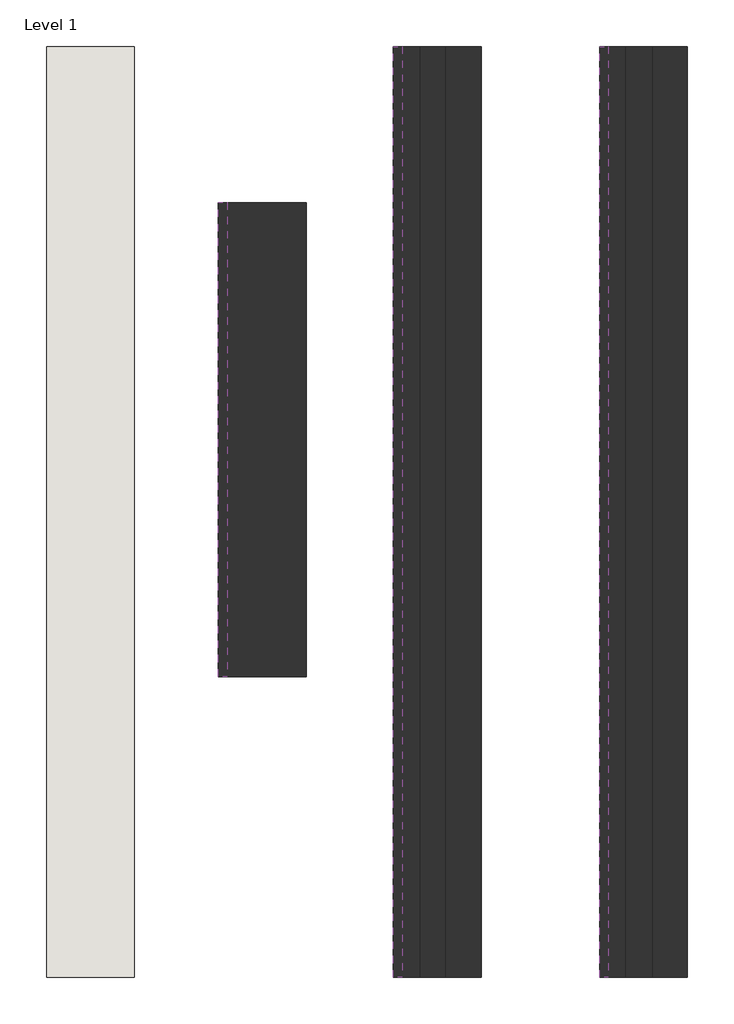
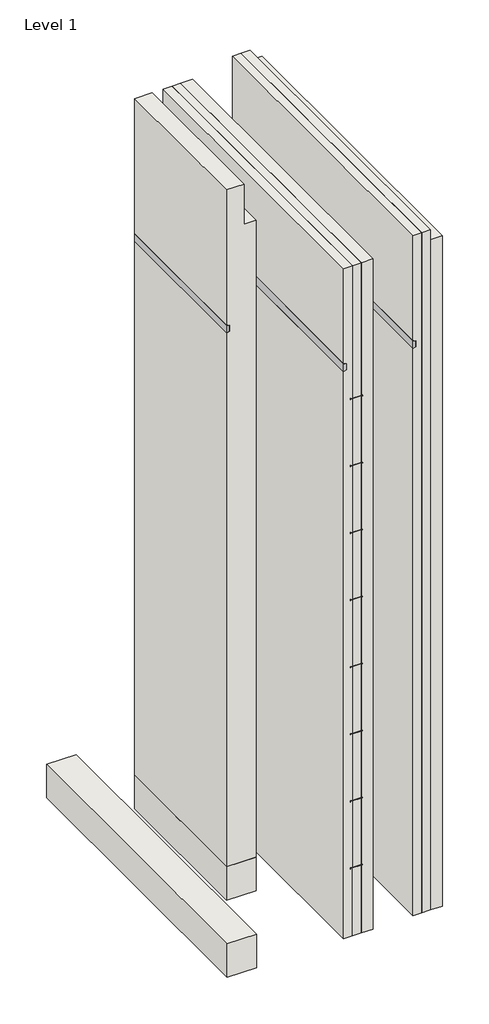
# One storey: 5 walls, 4 proxies.
"""IFC4 building model written with IfcOpenShell, lengths in millimetres."""

from ifc_helpers import new_model, si_unit, frame, origin, origin_with_axes, place, context, project, spatial, polyline, outline, extrude, faceted_brep, element, save

model = new_model("IFC4")

# Units and contexts
model_context = context("Model", 3, world=origin())
ifc_project = project(units=[si_unit("LENGTHUNIT", "METRE", prefix="MILLI")], contexts=[model_context])

# Site, building, storey
site = spatial("IfcSite", under=ifc_project)
building = spatial("IfcBuilding", under=site)
storey = spatial("IfcBuildingStorey", under=building, Name="Level 1", Elevation=0.0)

# Proxies
placement = place(None, origin())
element("IfcBuildingElementProxy", 1, Name="Conc Reinforcing 24in OC", ObjectType="Conc Reinforcing 24in OC", at=placement, inside=storey, context=model_context, shape_type="SweptSolid", body=[
    extrude(outline(polyline([(614.0976764, 5948.5050692), (617.5375, 5954.4630184), (617.5375, 6050.4971199), (614.0976764, 6056.4550692), (627.3273236, 6056.4550692), (623.8875, 6050.4971199), (623.8875, 5954.4630184), (627.3273236, 5948.5050692), (614.0976764, 5948.5050692)])), frame((0.0, 397.8957014, 0.0), z_axis=(0.0, 1.0, 0.0), x_axis=(0.0, 0.0, 1.0)), (0.0, 0.0, 1.0), 2692.4),
    extrude(outline(polyline([(1223.6976764, 5948.5050692), (1227.1375, 5954.4630184), (1227.1375, 6050.4971199), (1223.6976764, 6056.4550692), (1236.9273236, 6056.4550692), (1233.4875, 6050.4971199), (1233.4875, 5954.4630184), (1236.9273236, 5948.5050692), (1223.6976764, 5948.5050692)])), frame((0.0, 397.8957014, 0.0), z_axis=(0.0, 1.0, 0.0), x_axis=(0.0, 0.0, 1.0)), (0.0, 0.0, 1.0), 2692.4),
    extrude(outline(polyline([(1833.2976764, 5948.5050692), (1836.7375, 5954.4630184), (1836.7375, 6050.4971199), (1833.2976764, 6056.4550692), (1846.5273236, 6056.4550692), (1843.0875, 6050.4971199), (1843.0875, 5954.4630184), (1846.5273236, 5948.5050692), (1833.2976764, 5948.5050692)])), frame((0.0, 397.8957014, 0.0), z_axis=(0.0, 1.0, 0.0), x_axis=(0.0, 0.0, 1.0)), (0.0, 0.0, 1.0), 2692.4),
    extrude(outline(polyline([(2442.8976764, 5948.5050692), (2446.3375, 5954.4630184), (2446.3375, 6050.4971199), (2442.8976764, 6056.4550692), (2456.1273236, 6056.4550692), (2452.6875, 6050.4971199), (2452.6875, 5954.4630184), (2456.1273236, 5948.5050692), (2442.8976764, 5948.5050692)])), frame((0.0, 397.8957014, 0.0), z_axis=(0.0, 1.0, 0.0), x_axis=(0.0, 0.0, 1.0)), (0.0, 0.0, 1.0), 2692.4),
    extrude(outline(polyline([(3052.4976764, 5948.5050692), (3055.9375, 5954.4630184), (3055.9375, 6050.4971199), (3052.4976764, 6056.4550692), (3065.7273236, 6056.4550692), (3062.2875, 6050.4971199), (3062.2875, 5954.4630184), (3065.7273236, 5948.5050692), (3052.4976764, 5948.5050692)])), frame((0.0, 397.8957014, 0.0), z_axis=(0.0, 1.0, 0.0), x_axis=(0.0, 0.0, 1.0)), (0.0, 0.0, 1.0), 2692.4),
    extrude(outline(polyline([(3662.0976764, 5948.5050692), (3665.5375, 5954.4630184), (3665.5375, 6050.4971199), (3662.0976764, 6056.4550692), (3675.3273236, 6056.4550692), (3671.8875, 6050.4971199), (3671.8875, 5954.4630184), (3675.3273236, 5948.5050692), (3662.0976764, 5948.5050692)])), frame((0.0, 397.8957014, 0.0), z_axis=(0.0, 1.0, 0.0), x_axis=(0.0, 0.0, 1.0)), (0.0, 0.0, 1.0), 2692.4),
    extrude(outline(polyline([(4271.6976764, 5948.5050692), (4275.1375, 5954.4630184), (4275.1375, 6050.4971199), (4271.6976764, 6056.4550692), (4284.9273236, 6056.4550692), (4281.4875, 6050.4971199), (4281.4875, 5954.4630184), (4284.9273236, 5948.5050692), (4271.6976764, 5948.5050692)])), frame((0.0, 397.8957014, 0.0), z_axis=(0.0, 1.0, 0.0), x_axis=(0.0, 0.0, 1.0)), (0.0, 0.0, 1.0), 2692.4),
    extrude(outline(polyline([(4881.2976764, 5948.5050692), (4884.7375, 5954.4630184), (4884.7375, 6050.4971199), (4881.2976764, 6056.4550692), (4894.5273236, 6056.4550692), (4891.0875, 6050.4971199), (4891.0875, 5954.4630184), (4894.5273236, 5948.5050692), (4881.2976764, 5948.5050692)])), frame((0.0, 397.8957014, 0.0), z_axis=(0.0, 1.0, 0.0), x_axis=(0.0, 0.0, 1.0)), (0.0, 0.0, 1.0), 2692.4),
])
element("IfcBuildingElementProxy", 2, Name="Conc Reveal 3\"", ObjectType="Conc Reveal 3\"", at=placement, inside=storey, context=model_context, shape_type="SweptSolid", body=[
    extrude(outline(polyline([(5168.9, 5915.1924994), (5219.7, 5915.1924994), (5232.4, 5889.7924994), (5156.2, 5889.7924994), (5168.9, 5915.1924994)])), frame((0.0, 397.8957014, 0.0), z_axis=(0.0, 1.0, 0.0), x_axis=(0.0, 0.0, 1.0)), (0.0, 0.0, 1.0), 2692.4),
])
element("IfcBuildingElementProxy", 3, Name="Conc Reveal 3\"", ObjectType="Conc Reveal 3\"", at=placement, inside=storey, context=model_context, shape_type="SweptSolid", body=[
    extrude(outline(polyline([(5168.9, 6512.0924994), (5219.7, 6512.0924994), (5232.4, 6486.6924994), (5156.2, 6486.6924994), (5168.9, 6512.0924994)])), frame((0.0, 397.8957014, 0.0), z_axis=(0.0, 1.0, 0.0), x_axis=(0.0, 0.0, 1.0)), (0.0, 0.0, 1.0), 2692.4),
])
element("IfcBuildingElementProxy", 4, Name="Conc Reveal 3\"", ObjectType="Conc Reveal 3\"", at=placement, inside=storey, context=model_context, shape_type="SweptSolid", body=[
    extrude(outline(polyline([(5168.9, 5409.1329338), (5219.7, 5409.1329338), (5232.4, 5383.7329338), (5156.2, 5383.7329338), (5168.9, 5409.1329338)])), frame((0.0, 1267.628633, 0.0), z_axis=(0.0, 1.0, 0.0), x_axis=(0.0, 0.0, 1.0)), (0.0, 0.0, 1.0), 1371.6),
])

# Walls
element("IfcWall", 5, ObjectType="Sandwich_CONC 10\" 3-3-4", at=placement, inside=storey, context=model_context, shape_type="SweptSolid", body=[
    extrude(outline(polyline([(0.0, 6143.7924994), (6096.0, 6143.7924994), (6096.0, 6042.1924994), (4891.0875, 6042.1924994), (4891.0875, 6050.4971199), (4894.5273236, 6056.4550692), (4881.2976764, 6056.4550692), (4884.7375, 6050.4971199), (4884.7375, 6042.1924994), (4281.4875, 6042.1924994), (4281.4875, 6050.4971199), (4284.9273236, 6056.4550692), (4271.6976764, 6056.4550692), (4275.1375, 6050.4971199), (4275.1375, 6042.1924994), (3671.8875, 6042.1924994), (3671.8875, 6050.4971199), (3675.3273236, 6056.4550692), (3662.0976764, 6056.4550692), (3665.5375, 6050.4971199), (3665.5375, 6042.1924994), (3062.2875, 6042.1924994), (3062.2875, 6050.4971199), (3065.7273236, 6056.4550692), (3052.4976764, 6056.4550692), (3055.9375, 6050.4971199), (3055.9375, 6042.1924994), (2452.6875, 6042.1924994), (2452.6875, 6050.4971199), (2456.1273236, 6056.4550692), (2442.8976764, 6056.4550692), (2446.3375, 6050.4971199), (2446.3375, 6042.1924994), (1843.0875, 6042.1924994), (1843.0875, 6050.4971199), (1846.5273236, 6056.4550692), (1833.2976764, 6056.4550692), (1836.7375, 6050.4971199), (1836.7375, 6042.1924994), (1233.4875, 6042.1924994), (1233.4875, 6050.4971199), (1236.9273236, 6056.4550692), (1223.6976764, 6056.4550692), (1227.1375, 6050.4971199), (1227.1375, 6042.1924994), (623.8875, 6042.1924994), (623.8875, 6050.4971199), (627.3273236, 6056.4550692), (614.0976764, 6056.4550692), (617.5375, 6050.4971199), (617.5375, 6042.1924994), (0.0, 6042.1924994), (0.0, 6143.7924994)])), frame((0.0, 397.8957014, 0.0), z_axis=(0.0, 1.0, 0.0), x_axis=(0.0, 0.0, 1.0)), (0.0, 0.0, 1.0), 2692.4),
    extrude(outline(polyline([(6042.1924994, 397.8957014), (5965.9924994, 397.8957014), (5965.9924994, 3090.2957014), (6042.1924994, 3090.2957014), (6042.1924994, 397.8957014)])), origin_with_axes(), (0.0, 0.0, 1.0), 617.5375),
    extrude(outline(polyline([(5156.2, 5889.7924994), (0.0, 5889.7924994), (0.0, 5965.9924994), (617.5375, 5965.9924994), (617.5375, 5954.4630184), (614.0976764, 5948.5050692), (627.3273236, 5948.5050692), (623.8875, 5954.4630184), (623.8875, 5965.9924994), (1227.1375, 5965.9924994), (1227.1375, 5954.4630184), (1223.6976764, 5948.5050692), (1236.9273236, 5948.5050692), (1233.4875, 5954.4630184), (1233.4875, 5965.9924994), (1836.7375, 5965.9924994), (1836.7375, 5954.4630184), (1833.2976764, 5948.5050692), (1846.5273236, 5948.5050692), (1843.0875, 5954.4630184), (1843.0875, 5965.9924994), (2446.3375, 5965.9924994), (2446.3375, 5954.4630184), (2442.8976764, 5948.5050692), (2456.1273236, 5948.5050692), (2452.6875, 5954.4630184), (2452.6875, 5965.9924994), (3055.9375, 5965.9924994), (3055.9375, 5954.4630184), (3052.4976764, 5948.5050692), (3065.7273236, 5948.5050692), (3062.2875, 5954.4630184), (3062.2875, 5965.9924994), (3665.5375, 5965.9924994), (3665.5375, 5954.4630184), (3662.0976764, 5948.5050692), (3675.3273236, 5948.5050692), (3671.8875, 5954.4630184), (3671.8875, 5965.9924994), (4275.1375, 5965.9924994), (4275.1375, 5954.4630184), (4271.6976764, 5948.5050692), (4284.9273236, 5948.5050692), (4281.4875, 5954.4630184), (4281.4875, 5965.9924994), (4884.7375, 5965.9924994), (4884.7375, 5954.4630184), (4881.2976764, 5948.5050692), (4894.5273236, 5948.5050692), (4891.0875, 5954.4630184), (4891.0875, 5965.9924994), (6096.0, 5965.9924994), (6096.0, 5889.7924994), (5232.4, 5889.7924994), (5219.7, 5915.1924994), (5168.9, 5915.1924994), (5156.2, 5889.7924994)])), frame((0.0, 397.8957014, 0.0), z_axis=(0.0, 1.0, 0.0), x_axis=(0.0, 0.0, 1.0)), (0.0, 0.0, 1.0), 2692.4),
    extrude(outline(polyline([(5965.9924994, 3090.2957014), (6042.1924994, 3090.2957014), (6042.1924994, 397.8957014), (5965.9924994, 397.8957014), (5965.9924994, 3090.2957014)])), frame((0.0, 0.0, 4281.4875), z_axis=(0.0, 0.0, 1.0), x_axis=(1.0, 0.0, 0.0)), (0.0, 0.0, 1.0), 603.25),
    extrude(outline(polyline([(5965.9924994, 3090.2957014), (6042.1924994, 3090.2957014), (6042.1924994, 397.8957014), (5965.9924994, 397.8957014), (5965.9924994, 3090.2957014)])), frame((0.0, 0.0, 3671.8875), z_axis=(0.0, 0.0, 1.0), x_axis=(1.0, 0.0, 0.0)), (0.0, 0.0, 1.0), 603.25),
    extrude(outline(polyline([(5965.9924994, 3090.2957014), (6042.1924994, 3090.2957014), (6042.1924994, 397.8957014), (5965.9924994, 397.8957014), (5965.9924994, 3090.2957014)])), frame((0.0, 0.0, 3062.2875), z_axis=(0.0, 0.0, 1.0), x_axis=(1.0, 0.0, 0.0)), (0.0, 0.0, 1.0), 603.25),
    extrude(outline(polyline([(5965.9924994, 3090.2957014), (6042.1924994, 3090.2957014), (6042.1924994, 397.8957014), (5965.9924994, 397.8957014), (5965.9924994, 3090.2957014)])), frame((0.0, 0.0, 2452.6875), z_axis=(0.0, 0.0, 1.0), x_axis=(1.0, 0.0, 0.0)), (0.0, 0.0, 1.0), 603.25),
    extrude(outline(polyline([(5965.9924994, 3090.2957014), (6042.1924994, 3090.2957014), (6042.1924994, 397.8957014), (5965.9924994, 397.8957014), (5965.9924994, 3090.2957014)])), frame((0.0, 0.0, 1843.0875), z_axis=(0.0, 0.0, 1.0), x_axis=(1.0, 0.0, 0.0)), (0.0, 0.0, 1.0), 603.25),
    extrude(outline(polyline([(5965.9924994, 3090.2957014), (6042.1924994, 3090.2957014), (6042.1924994, 397.8957014), (5965.9924994, 397.8957014), (5965.9924994, 3090.2957014)])), frame((0.0, 0.0, 1233.4875), z_axis=(0.0, 0.0, 1.0), x_axis=(1.0, 0.0, 0.0)), (0.0, 0.0, 1.0), 603.25),
    extrude(outline(polyline([(5965.9924994, 3090.2957014), (6042.1924994, 3090.2957014), (6042.1924994, 397.8957014), (5965.9924994, 397.8957014), (5965.9924994, 3090.2957014)])), frame((0.0, 0.0, 4891.0875), z_axis=(0.0, 0.0, 1.0), x_axis=(1.0, 0.0, 0.0)), (0.0, 0.0, 1.0), 1204.9125),
    extrude(outline(polyline([(5965.9924994, 3090.2957014), (6042.1924994, 3090.2957014), (6042.1924994, 397.8957014), (5965.9924994, 397.8957014), (5965.9924994, 3090.2957014)])), frame((0.0, 0.0, 623.8875), z_axis=(0.0, 0.0, 1.0), x_axis=(1.0, 0.0, 0.0)), (0.0, 0.0, 1.0), 603.25),
])
element("IfcWall", 6, ObjectType="Sandwich_CONC 10\" 3-3-4", at=placement, inside=storey, context=model_context, shape_type="SolidModel", body=[
    faceted_brep([(6639.0924994, 397.8957014, 0.0), (6562.8924994, 397.8957014, 0.0), (6562.8924994, 3090.2957014, 0.0), (6639.0924994, 3090.2957014, 0.0), (6562.8924994, 3090.2957014, 6184.5812163), (6639.0924994, 3090.2957014, 6184.5812163), (6639.0924994, 3090.2957014, 6096.0), (6639.0924994, 397.8957014, 6096.0), (6639.0924994, 397.8957014, 6184.5812163), (6562.8924994, 397.8957014, 6184.5812163)], [[[0, 1, 2, 3]], [[3, 2, 4, 5, 6]], [[1, 0, 7, 8, 9]], [[5, 4, 9, 8]], [[2, 1, 9, 4]], [[0, 3, 6, 5, 8, 7]]]),
    extrude(outline(polyline([(5156.2, 6486.6924994), (0.0, 6486.6924994), (0.0, 6562.8924994), (6184.5812163, 6562.8924994), (6184.5812163, 6486.6924994), (5232.4, 6486.6924994), (5219.7, 6512.0924994), (5168.9, 6512.0924994), (5156.2, 6486.6924994)])), frame((0.0, 397.8957014, 0.0), z_axis=(0.0, 1.0, 0.0), x_axis=(0.0, 0.0, 1.0)), (0.0, 0.0, 1.0), 2692.4),
    extrude(outline(polyline([(6740.6924994, 3090.2957014), (6740.6924994, 397.8957014), (6639.0924994, 397.8957014), (6639.0924994, 3090.2957014), (6740.6924994, 3090.2957014)])), origin_with_axes(), (0.0, 0.0, 1.0), 6096.0),
])
element("IfcWall", 7, ObjectType="Sandwich_CONC 10\" 3-3-4", at=placement, inside=storey, context=model_context, shape_type="SweptSolid", body=[
    extrude(outline(polyline([(304.8, 5637.7329338), (6096.0, 5637.7329338), (6096.0, 5536.1329338), (6460.5246911, 5536.1329338), (6460.5246911, 5383.7329338), (5232.4, 5383.7329338), (5219.7, 5409.1329338), (5168.9, 5409.1329338), (5156.2, 5383.7329338), (304.8, 5383.7329338), (304.8, 5637.7329338)])), frame((0.0, 1267.628633, 0.0), z_axis=(0.0, 1.0, 0.0), x_axis=(0.0, 0.0, 1.0)), (0.0, 0.0, 1.0), 1371.6),
])
element("IfcWall", 8, ObjectType="Sandwich_CONC 10\" 3-3-4 Solid Base", at=placement, inside=storey, context=model_context, shape_type="SweptSolid", body=[
    extrude(outline(polyline([(5383.7329338, 1267.628633), (5383.7329338, 2639.228633), (5637.7329338, 2639.228633), (5637.7329338, 1267.628633), (5383.7329338, 1267.628633)])), origin_with_axes(), (0.0, 0.0, 1.0), 304.8),
])
element("IfcWall", 9, ObjectType="Sandwich_CONC 10\" 3-3-4 Solid Base", at=placement, inside=storey, context=model_context, shape_type="SweptSolid", body=[
    extrude(outline(polyline([(5140.4924994, 3090.2957014), (5140.4924994, 397.8957014), (4886.4924994, 397.8957014), (4886.4924994, 3090.2957014), (5140.4924994, 3090.2957014)])), origin_with_axes(), (0.0, 0.0, 1.0), 304.8),
])

save(model, "model.ifc")
